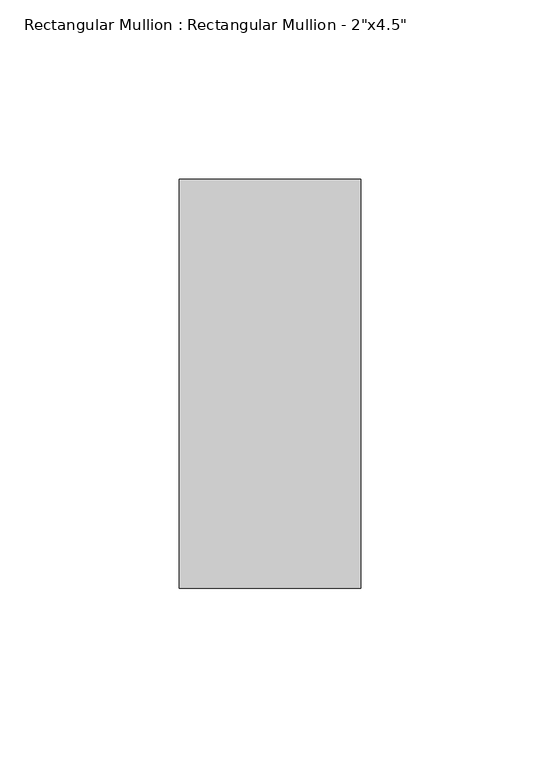
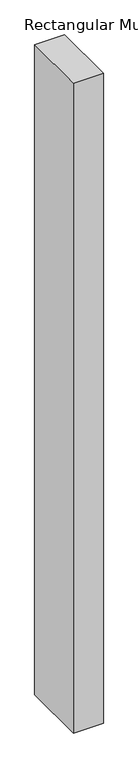
"""IFC4 building model written with IfcOpenShell, lengths in millimetres: member geometry."""

from ifc_helpers import new_model, si_unit, frame, origin, place, context, project, spatial, polyline, outline, extrude, source, transform, mapped, element, save


def member_32546fbe(model_context):
    return source(origin(), model_context, "Body", "SweptSolid", [
        extrude(outline(polyline([(25.4, 57.15), (25.4, -57.15), (-25.4, -57.15), (-25.4, 57.15), (25.4, 57.15)])), frame((0.0, 0.0, -1168.4), z_axis=(0.0, 0.0, 1.0), x_axis=(1.0, 0.0, 0.0)), (0.0, 0.0, 1.0), 1168.4),
    ])


if __name__ == "__main__":
    model = new_model("IFC4")
    model_context = context("Model", 3, world=origin())
    ifc_project = project(units=[si_unit("LENGTHUNIT", "METRE", prefix="MILLI")], contexts=[model_context])
    site = spatial("IfcSite", under=ifc_project)
    building = spatial("IfcBuilding", under=site)
    placement = place(None, origin())
    member_shape = member_32546fbe(model_context)
    element("IfcMember", 1, ObjectType="Rectangular Mullion : Rectangular Mullion - 2\"x4.5\"", at=placement, inside=building, context=model_context, shape_type="MappedRepresentation", body=[
        mapped(member_shape, transform((0.0, 0.0, 0.0), x_axis=(1.0, 0.0, 0.0), y_axis=(0.0, 1.0, 0.0), z_axis=(0.0, 0.0, 1.0))),
    ])
    save(model, "model.ifc")
